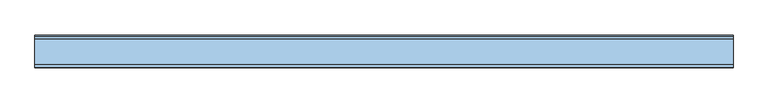
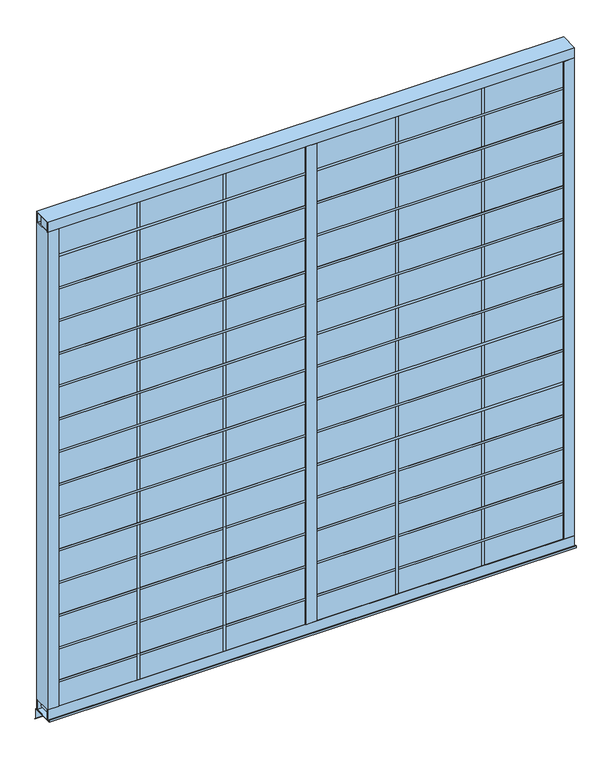
"""IFC4 building model written with IfcOpenShell, lengths in millimetres: window geometry."""

from ifc_helpers import new_model, si_unit, frame, origin, place, context, project, spatial, polyline, outline, extrude, source, transform, mapped, element, save


def window_b4810208(model_context):
    return source(origin(), model_context, "Body", "SweptSolid", [
        extrude(outline(polyline([(28.575, -38.1), (28.575, 63.5), (3018.63125, 63.5), (3018.63125, -38.1), (28.575, -38.1)])), frame((0.0, 0.0, 2812.8383333), z_axis=(0.0, 0.0, 1.0), x_axis=(1.0, 0.0, 0.0)), (0.0, 0.0, 1.0), 12.7),
        extrude(outline(polyline([(28.575, -38.1), (28.575, 63.5), (3018.63125, 63.5), (3018.63125, -38.1), (28.575, -38.1)])), frame((0.0, 0.0, 2612.6016667), z_axis=(0.0, 0.0, 1.0), x_axis=(1.0, 0.0, 0.0)), (0.0, 0.0, 1.0), 12.7),
        extrude(outline(polyline([(28.575, -38.1), (28.575, 63.5), (3018.63125, 63.5), (3018.63125, -38.1), (28.575, -38.1)])), frame((0.0, 0.0, 2412.365), z_axis=(0.0, 0.0, 1.0), x_axis=(1.0, 0.0, 0.0)), (0.0, 0.0, 1.0), 12.7),
        extrude(outline(polyline([(28.575, -38.1), (28.575, 63.5), (3018.63125, 63.5), (3018.63125, -38.1), (28.575, -38.1)])), frame((0.0, 0.0, 2212.1283333), z_axis=(0.0, 0.0, 1.0), x_axis=(1.0, 0.0, 0.0)), (0.0, 0.0, 1.0), 12.7),
        extrude(outline(polyline([(28.575, -38.1), (28.575, 63.5), (3018.63125, 63.5), (3018.63125, -38.1), (28.575, -38.1)])), frame((0.0, 0.0, 2011.8916667), z_axis=(0.0, 0.0, 1.0), x_axis=(1.0, 0.0, 0.0)), (0.0, 0.0, 1.0), 12.7),
        extrude(outline(polyline([(28.575, -38.1), (28.575, 63.5), (3018.63125, 63.5), (3018.63125, -38.1), (28.575, -38.1)])), frame((0.0, 0.0, 1811.655), z_axis=(0.0, 0.0, 1.0), x_axis=(1.0, 0.0, 0.0)), (0.0, 0.0, 1.0), 12.7),
        extrude(outline(polyline([(28.575, -38.1), (28.575, 63.5), (3018.63125, 63.5), (3018.63125, -38.1), (28.575, -38.1)])), frame((0.0, 0.0, 1611.4183333), z_axis=(0.0, 0.0, 1.0), x_axis=(1.0, 0.0, 0.0)), (0.0, 0.0, 1.0), 12.7),
        extrude(outline(polyline([(28.575, -38.1), (28.575, 63.5), (3018.63125, 63.5), (3018.63125, -38.1), (28.575, -38.1)])), frame((0.0, 0.0, 1411.1816667), z_axis=(0.0, 0.0, 1.0), x_axis=(1.0, 0.0, 0.0)), (0.0, 0.0, 1.0), 12.7),
        extrude(outline(polyline([(28.575, -38.1), (28.575, 63.5), (3018.63125, 63.5), (3018.63125, -38.1), (28.575, -38.1)])), frame((0.0, 0.0, 1210.945), z_axis=(0.0, 0.0, 1.0), x_axis=(1.0, 0.0, 0.0)), (0.0, 0.0, 1.0), 12.7),
        extrude(outline(polyline([(28.575, -38.1), (28.575, 63.5), (3018.63125, 63.5), (3018.63125, -38.1), (28.575, -38.1)])), frame((0.0, 0.0, 1010.7083333), z_axis=(0.0, 0.0, 1.0), x_axis=(1.0, 0.0, 0.0)), (0.0, 0.0, 1.0), 12.7),
        extrude(outline(polyline([(533.4, -38.1), (520.7, -38.1), (520.7, 63.5), (533.4, 63.5), (533.4, -38.1)])), frame((0.0, 0.0, 15.875), z_axis=(0.0, 0.0, 1.0), x_axis=(1.0, 0.0, 0.0)), (0.0, 0.0, 1.0), 3003.55),
        extrude(outline(polyline([(1031.875, -38.1), (1019.175, -38.1), (1019.175, 63.5), (1031.875, 63.5), (1031.875, -38.1)])), frame((0.0, 0.0, 15.875), z_axis=(0.0, 0.0, 1.0), x_axis=(1.0, 0.0, 0.0)), (0.0, 0.0, 1.0), 3003.55),
        extrude(outline(polyline([(1530.35, -38.1), (1517.65, -38.1), (1517.65, 63.5), (1530.35, 63.5), (1530.35, -38.1)])), frame((0.0, 0.0, 15.875), z_axis=(0.0, 0.0, 1.0), x_axis=(1.0, 0.0, 0.0)), (0.0, 0.0, 1.0), 3003.55),
        extrude(outline(polyline([(2028.825, -38.1), (2016.125, -38.1), (2016.125, 63.5), (2028.825, 63.5), (2028.825, -38.1)])), frame((0.0, 0.0, 15.875), z_axis=(0.0, 0.0, 1.0), x_axis=(1.0, 0.0, 0.0)), (0.0, 0.0, 1.0), 3003.55),
        extrude(outline(polyline([(28.575, -38.1), (28.575, 63.5), (3018.63125, 63.5), (3018.63125, -38.1), (28.575, -38.1)])), frame((0.0, 0.0, 810.4716667), z_axis=(0.0, 0.0, 1.0), x_axis=(1.0, 0.0, 0.0)), (0.0, 0.0, 1.0), 12.7),
        extrude(outline(polyline([(28.575, -38.1), (28.575, 63.5), (3018.63125, 63.5), (3018.63125, -38.1), (28.575, -38.1)])), frame((0.0, 0.0, 610.235), z_axis=(0.0, 0.0, 1.0), x_axis=(1.0, 0.0, 0.0)), (0.0, 0.0, 1.0), 12.7),
        extrude(outline(polyline([(28.575, -38.1), (28.575, 63.5), (3018.63125, 63.5), (3018.63125, -38.1), (28.575, -38.1)])), frame((0.0, 0.0, 409.9983333), z_axis=(0.0, 0.0, 1.0), x_axis=(1.0, 0.0, 0.0)), (0.0, 0.0, 1.0), 12.7),
        extrude(outline(polyline([(28.575, -38.1), (28.575, 63.5), (3018.63125, 63.5), (3018.63125, -38.1), (28.575, -38.1)])), frame((0.0, 0.0, 209.7616667), z_axis=(0.0, 0.0, 1.0), x_axis=(1.0, 0.0, 0.0)), (0.0, 0.0, 1.0), 12.7),
        extrude(outline(polyline([(28.575, -38.1), (28.575, 63.5), (3018.63125, 63.5), (3018.63125, -38.1), (28.575, -38.1)])), frame((0.0, 0.0, 3013.075), z_axis=(0.0, 0.0, 1.0), x_axis=(1.0, 0.0, 0.0)), (0.0, 0.0, 1.0), 12.7),
        extrude(outline(polyline([(28.575, -38.1), (28.575, 63.5), (3018.63125, 63.5), (3018.63125, -38.1), (28.575, -38.1)])), frame((0.0, 0.0, 9.525), z_axis=(0.0, 0.0, 1.0), x_axis=(1.0, 0.0, 0.0)), (0.0, 0.0, 1.0), 12.7),
        extrude(outline(polyline([(1492.25, -41.275), (1492.25, 66.675), (1555.75, 66.675), (1555.75, -41.275), (1492.25, -41.275)])), frame((0.0, 0.0, 63.5), z_axis=(0.0, 0.0, 1.0), x_axis=(1.0, 0.0, 0.0)), (0.0, 0.0, 1.0), 2921.0),
        extrude(outline(polyline([(2527.3, -38.1), (2514.6, -38.1), (2514.6, 63.5), (2527.3, 63.5), (2527.3, -38.1)])), frame((0.0, 0.0, 15.875), z_axis=(0.0, 0.0, 1.0), x_axis=(1.0, 0.0, 0.0)), (0.0, 0.0, 1.0), 3003.55),
        extrude(outline(polyline([(34.925, -38.1), (22.225, -38.1), (22.225, 63.5), (34.925, 63.5), (34.925, -38.1)])), frame((0.0, 0.0, 15.875), z_axis=(0.0, 0.0, 1.0), x_axis=(1.0, 0.0, 0.0)), (0.0, 0.0, 1.0), 3003.55),
        extrude(outline(polyline([(28.575, 63.5), (3019.425, 63.5), (3019.425, -38.1), (28.575, -38.1), (28.575, 63.5)])), frame((0.0, 0.0, 15.875), z_axis=(0.0, 0.0, 1.0), x_axis=(1.0, 0.0, 0.0)), (0.0, 0.0, 1.0), 3003.55),
        extrude(outline(polyline([(3025.775, -38.1), (3013.075, -38.1), (3013.075, 63.5), (3025.775, 63.5), (3025.775, -38.1)])), frame((0.0, 0.0, 15.875), z_axis=(0.0, 0.0, 1.0), x_axis=(1.0, 0.0, 0.0)), (0.0, 0.0, 1.0), 3003.55),
        extrude(outline(polyline([(-41.275, 3048.0), (66.675, 3048.0), (66.675, 2984.5), (63.5, 2984.5), (63.5, 3044.825), (-38.1, 3044.825), (-38.1, 2984.5), (-41.275, 2984.5), (-41.275, 3048.0)])), frame((0.0, 0.0, 0.0), z_axis=(1.0, 0.0, 0.0), x_axis=(0.0, 1.0, 0.0)), (0.0, 0.0, 1.0), 3048.0),
        extrude(outline(polyline([(0.0, 66.675), (63.5, 66.675), (63.5, 63.5), (3.175, 63.5), (3.175, -38.1), (63.5, -38.1), (63.5, -41.275), (0.0, -41.275), (0.0, 66.675)])), frame((0.0, 0.0, 63.5), z_axis=(0.0, 0.0, 1.0), x_axis=(1.0, 0.0, 0.0)), (0.0, 0.0, 1.0), 2921.0),
        extrude(outline(polyline([(3048.0, 66.675), (3048.0, -41.275), (2984.5, -41.275), (2984.5, -38.1), (3044.825, -38.1), (3044.825, 63.5), (2984.5, 63.5), (2984.5, 66.675), (3048.0, 66.675)])), frame((0.0, 0.0, 63.5), z_axis=(0.0, 0.0, 1.0), x_axis=(1.0, 0.0, 0.0)), (0.0, 0.0, 1.0), 2921.0),
        extrude(outline(polyline([(-41.275, 0.0), (-41.275, 63.5), (-38.1, 63.5), (-38.1, 3.175), (63.5, 3.175), (63.5, 63.5), (66.675, 63.5), (66.675, 0.0), (-41.275, 0.0)])), frame((0.0, 0.0, 0.0), z_axis=(1.0, 0.0, 0.0), x_axis=(0.0, 1.0, 0.0)), (0.0, 0.0, 1.0), 3048.0),
        extrude(outline(polyline([(86.3027881, -67.139968), (85.1802561, -68.2625), (76.2, -59.2822439), (76.2, -1.5875), (-57.15, -1.5875), (-57.15, 11.1125), (-55.5625, 11.1125), (-55.5625, 0.0), (77.7875, 0.0), (77.7875, -58.6246798), (86.3027881, -67.139968)])), frame((0.0, 0.0, 0.0), z_axis=(1.0, 0.0, 0.0), x_axis=(0.0, 1.0, 0.0)), (0.0, 0.0, 1.0), 3048.0),
    ])


if __name__ == "__main__":
    model = new_model("IFC4")
    model_context = context("Model", 3, world=origin())
    ifc_project = project(units=[si_unit("LENGTHUNIT", "METRE", prefix="MILLI")], contexts=[model_context])
    site = spatial("IfcSite", under=ifc_project)
    building = spatial("IfcBuilding", under=site)
    placement = place(None, origin())
    window_shape = window_b4810208(model_context)
    element("IfcWindow", 1, at=placement, inside=building, context=model_context, shape_type="MappedRepresentation", body=[
        mapped(window_shape, transform((0.0, 0.0, 0.0), x_axis=(1.0, 0.0, 0.0), y_axis=(0.0, 1.0, 0.0), z_axis=(0.0, 0.0, 1.0))),
    ])
    save(model, "model.ifc")
